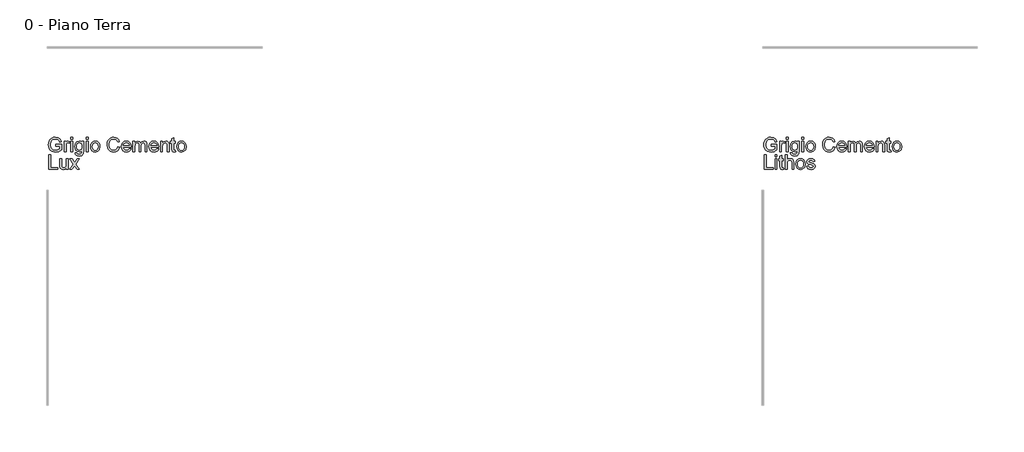
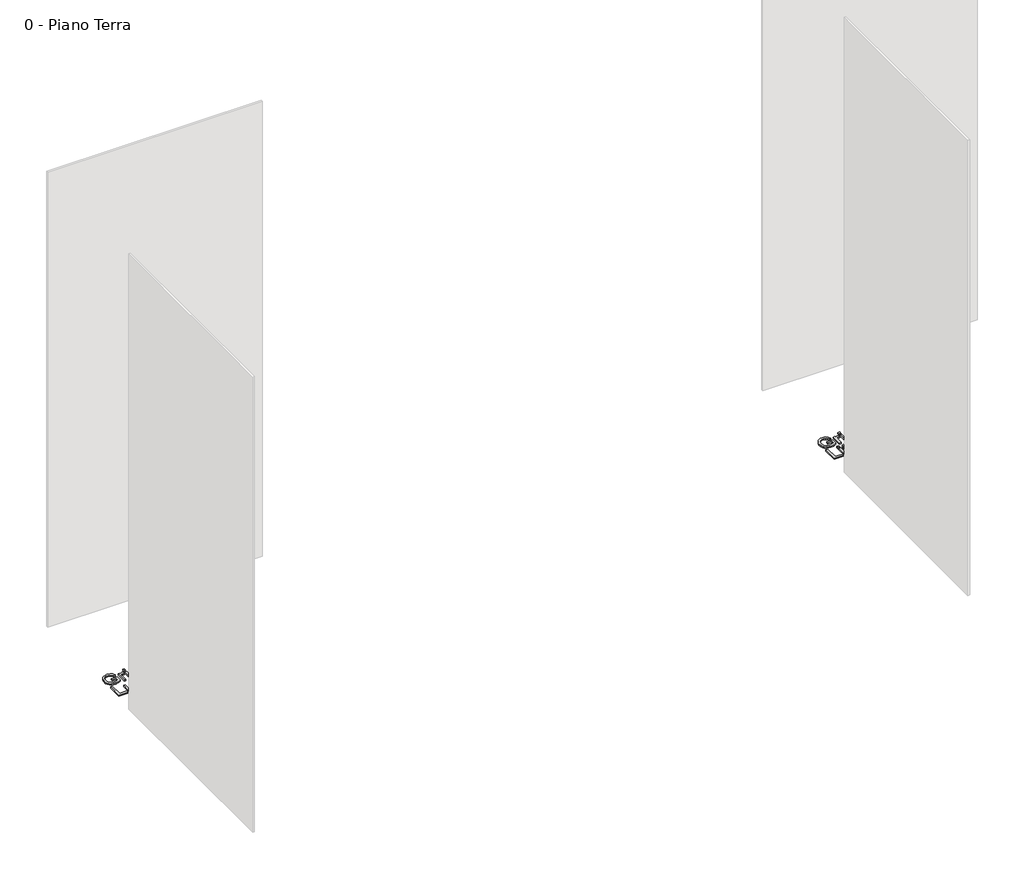
# One storey, part 21 of 35: 2 proxies.
"""IFC4 building model written with IfcOpenShell, lengths in millimetres."""

from ifc_helpers import new_model, si_unit, origin, origin_with_axes, place, context, project, spatial, polyline, outline, extrude, element, save

model = new_model("IFC4")

# Units and contexts
model_context = context("Model", 3, world=origin())
ifc_project = project(units=[si_unit("LENGTHUNIT", "METRE", prefix="MILLI")], contexts=[model_context])

# Site, building, storey
site = spatial("IfcSite", under=ifc_project)
building = spatial("IfcBuilding", under=site)
storey = spatial("IfcBuildingStorey", under=building, Name="0 - Piano Terra", Elevation=0.0)

# Proxies
placement = place(None, origin())
element("IfcBuildingElementProxy", 1, Name="Testo modello 1", ObjectType="Testo modello 1", at=placement, inside=storey, context=model_context, shape_type="SweptSolid", body=[
    extrude(outline(polyline([(7778.8181445, -60234.518489), (7778.8181445, -60221.9614502), (7819.6285205, -60221.9614502), (7819.6285205, -60259.5099392), (7799.4808499, -60271.3557394), (7778.1804823, -60275.328865), (7764.0936676, -60273.7500381), (7751.3618849, -60269.0135574), (7740.7852775, -60261.2849698), (7733.1639889, -60250.7298223), (7728.5562669, -60238.0685503), (7727.0203595, -60224.0215894), (7728.5501355, -60209.873461), (7733.1394634, -60196.7124826), (7740.5982708, -60185.6729571), (7750.7364855, -60177.8891872), (7763.0850578, -60173.2722682), (7777.1749382, -60171.7332952), (7796.8198368, -60175.3017505), (7810.5908861, -60185.2345644), (7818.1815179, -60201.8505678), (7806.6054978, -60205.1124549), (7800.8788014, -60193.4996465), (7791.0931404, -60186.8041942), (7776.9787345, -60184.2903339), (7760.9022913, -60187.000398), (7749.9639333, -60194.1127832), (7743.5014729, -60203.7880797), (7739.5773983, -60223.5065546), (7744.2985506, -60245.3955333), (7758.0328117, -60258.4921324), (7777.1749382, -60262.7718262), (7794.3550274, -60259.5467274), (7807.0714817, -60252.6673341), (7807.0714817, -60234.518489), (7778.8181445, -60234.518489)])), origin_with_axes(), (0.0, 0.0, 1.0), 10.0),
    extrude(outline(polyline([(7838.4640786, -60273.7592352), (7838.4640786, -60199.9866324), (7849.4514875, -60199.9866324), (7849.4514875, -60210.9004649), (7857.2505858, -60200.8450237), (7865.0987351, -60198.4170025), (7877.7048248, -60202.2920262), (7873.51097, -60213.5492153), (7864.6818021, -60210.9740413), (7857.5816796, -60213.4511134), (7853.0567311, -60220.318244), (7851.0211174, -60234.9844729), (7851.0211174, -60273.7592352), (7838.4640786, -60273.7592352)])), origin_with_axes(), (0.0, 0.0, 1.0), 10.0),
    extrude(outline(polyline([(7885.552974, -60185.8599638), (7885.552974, -60173.302925), (7898.1100128, -60173.302925), (7898.1100128, -60185.8599638), (7885.552974, -60185.8599638)])), origin_with_axes(), (0.0, 0.0, 1.0), 10.0),
    extrude(outline(polyline([(7885.552974, -60273.7592352), (7885.552974, -60199.9866324), (7898.1100128, -60199.9866324), (7898.1100128, -60273.7592352), (7885.552974, -60273.7592352)])), origin_with_axes(), (0.0, 0.0, 1.0), 10.0),
    extrude(outline(polyline([(7913.8063112, -60280.0377545), (7926.36335, -60281.6073844), (7930.4345774, -60288.2292603), (7942.6237342, -60291.0251635), (7955.4750785, -60287.8613783), (7961.6064451, -60278.9831595), (7962.4648365, -60264.3414561), (7953.6234058, -60271.4047904), (7942.8444634, -60273.7592352), (7929.8980828, -60271.0185143), (7920.2442461, -60262.7963517), (7914.2385726, -60250.742085), (7912.2366814, -60236.5050518), (7915.8296622, -60217.0440942), (7926.2284599, -60203.2730449), (7942.2313267, -60198.4170025), (7953.4333335, -60201.1638548), (7962.4648365, -60209.4044115), (7962.4648365, -60199.9866324), (7975.0218752, -60199.9866324), (7975.0218752, -60263.6792685), (7971.5883099, -60288.0698448), (7960.7112656, -60299.4128729), (7942.3784795, -60303.5822022), (7930.6951605, -60302.1137399), (7921.4950449, -60297.708353), (7915.5936046, -60290.3537788), (7913.8063112, -60280.0377545)]), holes=[polyline([(7924.7937201, -60235.6466605), (7926.1334237, -60247.1644326), (7930.1525345, -60255.0830925), (7936.1949963, -60259.6724204), (7943.6047528, -60261.2021964), (7950.9593271, -60259.6816175), (7957.0324457, -60255.1198807), (7961.1067388, -60247.3023883), (7962.4648365, -60236.0145424), (7961.0668849, -60225.1283011), (7956.8730301, -60217.2893489), (7950.7110067, -60212.5528682), (7943.4085491, -60210.9740413), (7936.2379159, -60212.5283427), (7930.2261109, -60217.191247), (7926.1518178, -60224.9137032), (7924.7937201, -60235.6466605)])]), origin_with_axes(), (0.0, 0.0, 1.0), 10.0),
    extrude(outline(polyline([(7993.8574334, -60185.8599638), (7993.8574334, -60173.302925), (8006.4144721, -60173.302925), (8006.4144721, -60185.8599638), (7993.8574334, -60185.8599638)])), origin_with_axes(), (0.0, 0.0, 1.0), 10.0),
    extrude(outline(polyline([(7993.8574334, -60273.7592352), (7993.8574334, -60199.9866324), (8006.4144721, -60199.9866324), (8006.4144721, -60273.7592352), (7993.8574334, -60273.7592352)])), origin_with_axes(), (0.0, 0.0, 1.0), 10.0),
    extrude(outline(polyline([(8022.1107706, -60236.8729338), (8024.826966, -60219.0858393), (8032.9755522, -60206.5839828), (8043.0432561, -60200.4587476), (8055.0975228, -60198.4170025), (8068.289158, -60200.9032717), (8078.8259115, -60208.3620791), (8085.732896, -60220.2048137), (8088.0352241, -60235.8428642), (8083.9639967, -60258.185564), (8072.1059337, -60270.8284419), (8055.0975228, -60275.328865), (8041.7464721, -60272.8517929), (8031.2219813, -60265.4205766), (8024.3885733, -60253.3295217), (8022.1107706, -60236.8729338)]), holes=[polyline([(8034.6678094, -60236.8484083), (8036.1209433, -60248.2128963), (8040.4803449, -60256.3093658), (8047.0409071, -60261.1562111), (8055.0975228, -60262.7718262), (8063.1173503, -60261.1470141), (8069.6656498, -60256.2725776), (8074.0250515, -60248.0688092), (8075.4781854, -60236.4560008), (8074.0158544, -60225.4226067), (8069.6288616, -60217.4365017), (8063.0713651, -60212.5896564), (8055.0975228, -60210.9740413), (8047.0409071, -60212.583525), (8040.4803449, -60217.4119762), (8036.1209433, -60225.4900517), (8034.6678094, -60236.8484083)])]), origin_with_axes(), (0.0, 0.0, 1.0), 10.0),
    extrude(outline(polyline([(8213.6056118, -60238.0501562), (8226.1626506, -60241.2875177), (8220.3685092, -60255.9200241), (8211.2756925, -60266.6100617), (8199.3317904, -60273.1491642), (8184.9843926, -60275.328865), (8170.4193313, -60273.6795274), (8158.8525082, -60268.7315146), (8149.9865521, -60260.6565048), (8143.5240917, -60249.6261763), (8138.2633792, -60222.7707906), (8139.7502356, -60208.1229558), (8144.2108048, -60195.4739466), (8151.4120949, -60185.2253673), (8161.1211138, -60177.7788226), (8172.6358203, -60173.244677), (8185.2541727, -60171.7332952), (8199.0221564, -60173.6892011), (8210.4050385, -60179.5569189), (8219.0471997, -60188.974698), (8224.5930207, -60201.5807877), (8212.035982, -60204.5728946), (8201.7352861, -60189.1341135), (8184.7636634, -60184.2903339), (8165.1187649, -60189.6614111), (8154.0209913, -60204.0823853), (8150.820418, -60222.7462652), (8154.6096025, -60244.3777265), (8166.4063518, -60258.1978268), (8183.7335938, -60262.7718262), (8194.215165, -60261.2144591), (8202.9492967, -60256.5423578), (8209.5435815, -60248.8045731), (8213.6056118, -60238.0501562)])), origin_with_axes(), (0.0, 0.0, 1.0), 10.0),
    extrude(outline(polyline([(8293.5095812, -60251.7844173), (8305.8213653, -60253.3540472), (8301.3853216, -60262.6308048), (8294.3066588, -60269.5653804), (8284.7447926, -60273.8879938), (8272.8591385, -60275.328865), (8258.1254646, -60272.8425958), (8246.7885678, -60265.3837884), (8239.5596866, -60253.4368206), (8237.1500595, -60237.4860704), (8239.5842121, -60220.9988257), (8246.8866697, -60208.6686475), (8258.0702823, -60200.9799138), (8272.1479, -60198.4170025), (8285.787125, -60200.9737824), (8296.6856291, -60208.644122), (8303.8317368, -60220.9497747), (8306.2137727, -60237.412494), (8306.1401963, -60240.7970084), (8249.7070983, -60240.7970084), (8251.8806677, -60250.1963934), (8256.9298481, -60257.1064435), (8264.2169773, -60261.3554805), (8273.1043932, -60262.7718262), (8285.4161773, -60260.1476013), (8293.5095812, -60251.7844173)]), holes=[polyline([(8249.7070983, -60228.2399696), (8293.656734, -60228.2399696), (8288.6290134, -60216.8601532), (8281.3081617, -60212.4455693), (8272.0988491, -60210.9740413), (8256.6355425, -60215.6706681), (8251.7703031, -60221.1613069), (8249.7070983, -60228.2399696)])]), origin_with_axes(), (0.0, 0.0, 1.0), 10.0),
    extrude(outline(polyline([(8318.7708115, -60273.7592352), (8318.7708115, -60199.9866324), (8331.3278503, -60199.9866324), (8331.3278503, -60212.1267382), (8339.9608144, -60202.1816616), (8352.2480731, -60198.4170025), (8364.8296373, -60202.255238), (8371.7458188, -60213.009655), (8381.5437426, -60202.0651657), (8393.9168404, -60198.4170025), (8403.3560793, -60199.9345158), (8410.3366401, -60204.4870555), (8414.6500565, -60212.1972489), (8416.087862, -60223.1877235), (8416.087862, -60273.7592352), (8403.5308232, -60273.7592352), (8403.5308232, -60228.5833261), (8402.3658635, -60218.0986893), (8398.1474833, -60212.9360786), (8390.9737844, -60210.9740413), (8378.6252121, -60216.0017619), (8374.9371951, -60222.5439301), (8373.7078561, -60232.1149933), (8373.7078561, -60273.7592352), (8361.1508174, -60273.7592352), (8361.1508174, -60227.1853746), (8358.2445496, -60215.0207433), (8348.7164059, -60210.9740413), (8339.4212542, -60213.6718426), (8333.2408367, -60221.5690428), (8331.3278503, -60236.5541027), (8331.3278503, -60273.7592352), (8318.7708115, -60273.7592352)])), origin_with_axes(), (0.0, 0.0, 1.0), 10.0),
    extrude(outline(polyline([(8486.5740522, -60251.7844173), (8498.8858364, -60253.3540472), (8494.4497926, -60262.6308048), (8487.3711299, -60269.5653804), (8477.8092637, -60273.8879938), (8465.9236096, -60275.328865), (8451.1899357, -60272.8425958), (8439.8530389, -60265.3837884), (8432.6241577, -60253.4368206), (8430.2145306, -60237.4860704), (8432.6486831, -60220.9988257), (8439.9511407, -60208.6686475), (8451.1347534, -60200.9799138), (8465.2123711, -60198.4170025), (8478.851596, -60200.9737824), (8489.7501001, -60208.644122), (8496.8962079, -60220.9497747), (8499.2782438, -60237.412494), (8499.2046674, -60240.7970084), (8442.7715694, -60240.7970084), (8444.9451388, -60250.1963934), (8449.9943192, -60257.1064435), (8457.2814484, -60261.3554805), (8466.1688642, -60262.7718262), (8478.4806484, -60260.1476013), (8486.5740522, -60251.7844173)]), holes=[polyline([(8442.7715694, -60228.2399696), (8486.721205, -60228.2399696), (8481.6934844, -60216.8601532), (8474.3726327, -60212.4455693), (8465.1633201, -60210.9740413), (8449.7000136, -60215.6706681), (8444.8347742, -60221.1613069), (8442.7715694, -60228.2399696)])]), origin_with_axes(), (0.0, 0.0, 1.0), 10.0),
    extrude(outline(polyline([(8511.8352826, -60273.7592352), (8511.8352826, -60199.9866324), (8524.3923213, -60199.9866324), (8524.3923213, -60210.2873283), (8533.9940414, -60201.384584), (8547.1029032, -60198.4170025), (8558.9609662, -60200.8082355), (8567.0543701, -60207.0867549), (8570.8190291, -60216.320593), (8571.4812167, -60228.4606988), (8571.4812167, -60273.7592352), (8558.924178, -60273.7592352), (8558.924178, -60230.152956), (8557.4771754, -60219.0429197), (8552.3636157, -60213.1690705), (8543.7429143, -60210.9740413), (8530.1190177, -60215.90366), (8525.8239954, -60223.0467021), (8524.3923213, -60234.6165909), (8524.3923213, -60273.7592352), (8511.8352826, -60273.7592352)])), origin_with_axes(), (0.0, 0.0, 1.0), 10.0),
    extrude(outline(polyline([(8615.4308524, -60263.286861), (8617.0004823, -60274.1271171), (8607.6072287, -60275.328865), (8597.0858036, -60273.2442004), (8591.8373538, -60267.7750214), (8590.3167749, -60253.5257254), (8590.3167749, -60212.5436712), (8580.8989958, -60212.5436712), (8580.8989958, -60199.9866324), (8590.3167749, -60199.9866324), (8590.3167749, -60182.0585165), (8602.8738137, -60174.6763511), (8602.8738137, -60199.9866324), (8615.4308524, -60199.9866324), (8615.4308524, -60212.5436712), (8602.8738137, -60212.5436712), (8602.8738137, -60253.1578434), (8603.5360012, -60259.6325665), (8605.6819796, -60261.9256976), (8609.9616734, -60262.7718262), (8615.4308524, -60263.286861)])), origin_with_axes(), (0.0, 0.0, 1.0), 10.0),
    extrude(outline(polyline([(8624.8486315, -60236.8729338), (8627.5648269, -60219.0858393), (8635.7134131, -60206.5839828), (8645.781117, -60200.4587476), (8657.8353837, -60198.4170025), (8671.0270189, -60200.9032717), (8681.5637724, -60208.3620791), (8688.4707569, -60220.2048137), (8690.773085, -60235.8428642), (8686.7018576, -60258.185564), (8674.8437946, -60270.8284419), (8657.8353837, -60275.328865), (8644.484333, -60272.8517929), (8633.9598422, -60265.4205766), (8627.1264342, -60253.3295217), (8624.8486315, -60236.8729338)]), holes=[polyline([(8637.4056703, -60236.8484083), (8638.8588041, -60248.2128963), (8643.2182058, -60256.3093658), (8649.778768, -60261.1562111), (8657.8353837, -60262.7718262), (8665.8552112, -60261.1470141), (8672.4035107, -60256.2725776), (8676.7629124, -60248.0688092), (8678.2160463, -60236.4560008), (8676.7537153, -60225.4226067), (8672.3667225, -60217.4365017), (8665.809226, -60212.5896564), (8657.8353837, -60210.9740413), (8649.778768, -60212.583525), (8643.2182058, -60217.4119762), (8638.8588041, -60225.4900517), (8637.4056703, -60236.8484083)])]), origin_with_axes(), (0.0, 0.0, 1.0), 10.0),
    extrude(outline(polyline([(7731.7292491, -60395.734053), (7731.7292491, -60295.2777428), (7744.2862878, -60295.2777428), (7744.2862878, -60383.1770142), (7794.5144429, -60383.1770142), (7794.5144429, -60395.734053), (7731.7292491, -60395.734053)])), origin_with_axes(), (0.0, 0.0, 1.0), 10.0),
    extrude(outline(polyline([(7854.1603771, -60395.734053), (7854.1603771, -60383.0543869), (7844.3256651, -60393.7413589), (7831.4988462, -60397.3036828), (7819.6898341, -60394.8020853), (7811.5473793, -60388.5235659), (7807.8072457, -60379.2774651), (7807.0714817, -60367.6033431), (7807.0714817, -60321.9614502), (7819.6285205, -60321.9614502), (7819.6285205, -60361.6927057), (7820.3888099, -60374.4949991), (7825.3552168, -60382.0120546), (7834.7116823, -60384.7466441), (7845.1963191, -60381.9507409), (7852.1247634, -60374.3355836), (7854.1603771, -60360.3438051), (7854.1603771, -60321.9614502), (7866.7174158, -60321.9614502), (7866.7174158, -60395.734053), (7854.1603771, -60395.734053)])), origin_with_axes(), (0.0, 0.0, 1.0), 10.0),
    extrude(outline(polyline([(7876.1351949, -60395.734053), (7902.9660551, -60358.6515479), (7877.7048248, -60321.9614502), (7892.812512, -60321.9614502), (7905.0016688, -60339.619786), (7910.691577, -60347.9584446), (7915.6211957, -60341.1403649), (7929.5026097, -60321.9614502), (7944.610297, -60321.9614502), (7918.0737424, -60358.6515479), (7943.6292783, -60395.734053), (7928.521591, -60395.734053), (7913.1441236, -60373.4404041), (7910.323695, -60369.3691767), (7891.2428822, -60395.734053), (7876.1351949, -60395.734053)])), origin_with_axes(), (0.0, 0.0, 1.0), 10.0),
])
element("IfcBuildingElementProxy", 2, Name="Testo modello 1", ObjectType="Testo modello 1", at=placement, inside=storey, context=model_context, shape_type="SweptSolid", body=[
    extrude(outline(polyline([(12778.8181445, -60234.518489), (12778.8181445, -60221.9614502), (12819.6285205, -60221.9614502), (12819.6285205, -60259.5099392), (12799.4808499, -60271.3557394), (12778.1804823, -60275.328865), (12764.0936676, -60273.7500381), (12751.3618849, -60269.0135574), (12740.7852775, -60261.2849698), (12733.1639889, -60250.7298223), (12728.5562669, -60238.0685503), (12727.0203595, -60224.0215894), (12728.5501355, -60209.873461), (12733.1394634, -60196.7124826), (12740.5982708, -60185.6729571), (12750.7364855, -60177.8891872), (12763.0850578, -60173.2722682), (12777.1749382, -60171.7332952), (12796.8198368, -60175.3017505), (12810.5908861, -60185.2345644), (12818.1815179, -60201.8505678), (12806.6054978, -60205.1124549), (12800.8788014, -60193.4996465), (12791.0931404, -60186.8041942), (12776.9787345, -60184.2903339), (12760.9022913, -60187.000398), (12749.9639333, -60194.1127832), (12743.5014729, -60203.7880797), (12739.5773983, -60223.5065546), (12744.2985506, -60245.3955333), (12758.0328117, -60258.4921324), (12777.1749382, -60262.7718262), (12794.3550274, -60259.5467274), (12807.0714817, -60252.6673341), (12807.0714817, -60234.518489), (12778.8181445, -60234.518489)])), origin_with_axes(), (0.0, 0.0, 1.0), 10.0),
    extrude(outline(polyline([(12838.4640786, -60273.7592352), (12838.4640786, -60199.9866324), (12849.4514875, -60199.9866324), (12849.4514875, -60210.9004649), (12857.2505858, -60200.8450237), (12865.0987351, -60198.4170025), (12877.7048248, -60202.2920262), (12873.51097, -60213.5492153), (12864.6818021, -60210.9740413), (12857.5816796, -60213.4511134), (12853.0567311, -60220.318244), (12851.0211174, -60234.9844729), (12851.0211174, -60273.7592352), (12838.4640786, -60273.7592352)])), origin_with_axes(), (0.0, 0.0, 1.0), 10.0),
    extrude(outline(polyline([(12885.552974, -60185.8599638), (12885.552974, -60173.302925), (12898.1100128, -60173.302925), (12898.1100128, -60185.8599638), (12885.552974, -60185.8599638)])), origin_with_axes(), (0.0, 0.0, 1.0), 10.0),
    extrude(outline(polyline([(12885.552974, -60273.7592352), (12885.552974, -60199.9866324), (12898.1100128, -60199.9866324), (12898.1100128, -60273.7592352), (12885.552974, -60273.7592352)])), origin_with_axes(), (0.0, 0.0, 1.0), 10.0),
    extrude(outline(polyline([(12913.8063112, -60280.0377545), (12926.36335, -60281.6073844), (12930.4345774, -60288.2292603), (12942.6237342, -60291.0251635), (12955.4750785, -60287.8613783), (12961.6064451, -60278.9831595), (12962.4648365, -60264.3414561), (12953.6234058, -60271.4047904), (12942.8444634, -60273.7592352), (12929.8980828, -60271.0185143), (12920.2442461, -60262.7963517), (12914.2385726, -60250.742085), (12912.2366814, -60236.5050518), (12915.8296622, -60217.0440942), (12926.2284599, -60203.2730449), (12942.2313267, -60198.4170025), (12953.4333335, -60201.1638548), (12962.4648365, -60209.4044115), (12962.4648365, -60199.9866324), (12975.0218752, -60199.9866324), (12975.0218752, -60263.6792685), (12971.5883099, -60288.0698448), (12960.7112656, -60299.4128729), (12942.3784795, -60303.5822022), (12930.6951605, -60302.1137399), (12921.4950449, -60297.708353), (12915.5936046, -60290.3537788), (12913.8063112, -60280.0377545)]), holes=[polyline([(12924.7937201, -60235.6466605), (12926.1334237, -60247.1644326), (12930.1525345, -60255.0830925), (12936.1949963, -60259.6724204), (12943.6047528, -60261.2021964), (12950.9593271, -60259.6816175), (12957.0324457, -60255.1198807), (12961.1067388, -60247.3023883), (12962.4648365, -60236.0145424), (12961.0668849, -60225.1283011), (12956.8730301, -60217.2893489), (12950.7110067, -60212.5528682), (12943.4085491, -60210.9740413), (12936.2379159, -60212.5283427), (12930.2261109, -60217.191247), (12926.1518178, -60224.9137032), (12924.7937201, -60235.6466605)])]), origin_with_axes(), (0.0, 0.0, 1.0), 10.0),
    extrude(outline(polyline([(12993.8574334, -60185.8599638), (12993.8574334, -60173.302925), (13006.4144721, -60173.302925), (13006.4144721, -60185.8599638), (12993.8574334, -60185.8599638)])), origin_with_axes(), (0.0, 0.0, 1.0), 10.0),
    extrude(outline(polyline([(12993.8574334, -60273.7592352), (12993.8574334, -60199.9866324), (13006.4144721, -60199.9866324), (13006.4144721, -60273.7592352), (12993.8574334, -60273.7592352)])), origin_with_axes(), (0.0, 0.0, 1.0), 10.0),
    extrude(outline(polyline([(13022.1107706, -60236.8729338), (13024.826966, -60219.0858393), (13032.9755522, -60206.5839828), (13043.0432561, -60200.4587476), (13055.0975228, -60198.4170025), (13068.289158, -60200.9032717), (13078.8259115, -60208.3620791), (13085.732896, -60220.2048137), (13088.0352241, -60235.8428642), (13083.9639967, -60258.185564), (13072.1059337, -60270.8284419), (13055.0975228, -60275.328865), (13041.7464721, -60272.8517929), (13031.2219813, -60265.4205766), (13024.3885733, -60253.3295217), (13022.1107706, -60236.8729338)]), holes=[polyline([(13034.6678094, -60236.8484083), (13036.1209433, -60248.2128963), (13040.4803449, -60256.3093658), (13047.0409071, -60261.1562111), (13055.0975228, -60262.7718262), (13063.1173503, -60261.1470141), (13069.6656498, -60256.2725776), (13074.0250515, -60248.0688092), (13075.4781854, -60236.4560008), (13074.0158544, -60225.4226067), (13069.6288616, -60217.4365017), (13063.0713651, -60212.5896564), (13055.0975228, -60210.9740413), (13047.0409071, -60212.583525), (13040.4803449, -60217.4119762), (13036.1209433, -60225.4900517), (13034.6678094, -60236.8484083)])]), origin_with_axes(), (0.0, 0.0, 1.0), 10.0),
    extrude(outline(polyline([(13213.6056118, -60238.0501562), (13226.1626506, -60241.2875177), (13220.3685092, -60255.9200241), (13211.2756925, -60266.6100617), (13199.3317904, -60273.1491642), (13184.9843926, -60275.328865), (13170.4193313, -60273.6795274), (13158.8525082, -60268.7315146), (13149.9865521, -60260.6565048), (13143.5240917, -60249.6261763), (13138.2633792, -60222.7707906), (13139.7502356, -60208.1229558), (13144.2108048, -60195.4739466), (13151.4120949, -60185.2253673), (13161.1211138, -60177.7788226), (13172.6358203, -60173.244677), (13185.2541727, -60171.7332952), (13199.0221564, -60173.6892011), (13210.4050385, -60179.5569189), (13219.0471997, -60188.974698), (13224.5930207, -60201.5807877), (13212.035982, -60204.5728946), (13201.7352861, -60189.1341135), (13184.7636634, -60184.2903339), (13165.1187649, -60189.6614111), (13154.0209913, -60204.0823853), (13150.820418, -60222.7462652), (13154.6096025, -60244.3777265), (13166.4063518, -60258.1978268), (13183.7335938, -60262.7718262), (13194.215165, -60261.2144591), (13202.9492967, -60256.5423578), (13209.5435815, -60248.8045731), (13213.6056118, -60238.0501562)])), origin_with_axes(), (0.0, 0.0, 1.0), 10.0),
    extrude(outline(polyline([(13293.5095812, -60251.7844173), (13305.8213653, -60253.3540472), (13301.3853216, -60262.6308048), (13294.3066588, -60269.5653804), (13284.7447926, -60273.8879938), (13272.8591385, -60275.328865), (13258.1254646, -60272.8425958), (13246.7885678, -60265.3837884), (13239.5596866, -60253.4368206), (13237.1500595, -60237.4860704), (13239.5842121, -60220.9988257), (13246.8866697, -60208.6686475), (13258.0702823, -60200.9799138), (13272.1479, -60198.4170025), (13285.787125, -60200.9737824), (13296.6856291, -60208.644122), (13303.8317368, -60220.9497747), (13306.2137727, -60237.412494), (13306.1401963, -60240.7970084), (13249.7070983, -60240.7970084), (13251.8806677, -60250.1963934), (13256.9298481, -60257.1064435), (13264.2169773, -60261.3554805), (13273.1043932, -60262.7718262), (13285.4161773, -60260.1476013), (13293.5095812, -60251.7844173)]), holes=[polyline([(13249.7070983, -60228.2399696), (13293.656734, -60228.2399696), (13288.6290134, -60216.8601532), (13281.3081617, -60212.4455693), (13272.0988491, -60210.9740413), (13256.6355425, -60215.6706681), (13251.7703031, -60221.1613069), (13249.7070983, -60228.2399696)])]), origin_with_axes(), (0.0, 0.0, 1.0), 10.0),
    extrude(outline(polyline([(13318.7708115, -60273.7592352), (13318.7708115, -60199.9866324), (13331.3278503, -60199.9866324), (13331.3278503, -60212.1267382), (13339.9608144, -60202.1816616), (13352.2480731, -60198.4170025), (13364.8296373, -60202.255238), (13371.7458188, -60213.009655), (13381.5437426, -60202.0651657), (13393.9168404, -60198.4170025), (13403.3560793, -60199.9345158), (13410.3366401, -60204.4870555), (13414.6500565, -60212.1972489), (13416.087862, -60223.1877235), (13416.087862, -60273.7592352), (13403.5308232, -60273.7592352), (13403.5308232, -60228.5833261), (13402.3658635, -60218.0986893), (13398.1474833, -60212.9360786), (13390.9737844, -60210.9740413), (13378.6252121, -60216.0017619), (13374.9371951, -60222.5439301), (13373.7078561, -60232.1149933), (13373.7078561, -60273.7592352), (13361.1508174, -60273.7592352), (13361.1508174, -60227.1853746), (13358.2445496, -60215.0207433), (13348.7164059, -60210.9740413), (13339.4212542, -60213.6718426), (13333.2408367, -60221.5690428), (13331.3278503, -60236.5541027), (13331.3278503, -60273.7592352), (13318.7708115, -60273.7592352)])), origin_with_axes(), (0.0, 0.0, 1.0), 10.0),
    extrude(outline(polyline([(13486.5740522, -60251.7844173), (13498.8858364, -60253.3540472), (13494.4497926, -60262.6308048), (13487.3711299, -60269.5653804), (13477.8092637, -60273.8879938), (13465.9236096, -60275.328865), (13451.1899357, -60272.8425958), (13439.8530389, -60265.3837884), (13432.6241577, -60253.4368206), (13430.2145306, -60237.4860704), (13432.6486831, -60220.9988257), (13439.9511407, -60208.6686475), (13451.1347534, -60200.9799138), (13465.2123711, -60198.4170025), (13478.851596, -60200.9737824), (13489.7501001, -60208.644122), (13496.8962079, -60220.9497747), (13499.2782438, -60237.412494), (13499.2046674, -60240.7970084), (13442.7715694, -60240.7970084), (13444.9451388, -60250.1963934), (13449.9943192, -60257.1064435), (13457.2814484, -60261.3554805), (13466.1688642, -60262.7718262), (13478.4806484, -60260.1476013), (13486.5740522, -60251.7844173)]), holes=[polyline([(13442.7715694, -60228.2399696), (13486.721205, -60228.2399696), (13481.6934844, -60216.8601532), (13474.3726327, -60212.4455693), (13465.1633201, -60210.9740413), (13449.7000136, -60215.6706681), (13444.8347742, -60221.1613069), (13442.7715694, -60228.2399696)])]), origin_with_axes(), (0.0, 0.0, 1.0), 10.0),
    extrude(outline(polyline([(13511.8352826, -60273.7592352), (13511.8352826, -60199.9866324), (13524.3923213, -60199.9866324), (13524.3923213, -60210.2873283), (13533.9940414, -60201.384584), (13547.1029032, -60198.4170025), (13558.9609662, -60200.8082355), (13567.0543701, -60207.0867549), (13570.8190291, -60216.320593), (13571.4812167, -60228.4606988), (13571.4812167, -60273.7592352), (13558.924178, -60273.7592352), (13558.924178, -60230.152956), (13557.4771754, -60219.0429197), (13552.3636157, -60213.1690705), (13543.7429143, -60210.9740413), (13530.1190177, -60215.90366), (13525.8239954, -60223.0467021), (13524.3923213, -60234.6165909), (13524.3923213, -60273.7592352), (13511.8352826, -60273.7592352)])), origin_with_axes(), (0.0, 0.0, 1.0), 10.0),
    extrude(outline(polyline([(13615.4308524, -60263.286861), (13617.0004823, -60274.1271171), (13607.6072287, -60275.328865), (13597.0858036, -60273.2442004), (13591.8373538, -60267.7750214), (13590.3167749, -60253.5257254), (13590.3167749, -60212.5436712), (13580.8989958, -60212.5436712), (13580.8989958, -60199.9866324), (13590.3167749, -60199.9866324), (13590.3167749, -60182.0585165), (13602.8738137, -60174.6763511), (13602.8738137, -60199.9866324), (13615.4308524, -60199.9866324), (13615.4308524, -60212.5436712), (13602.8738137, -60212.5436712), (13602.8738137, -60253.1578434), (13603.5360012, -60259.6325665), (13605.6819796, -60261.9256976), (13609.9616734, -60262.7718262), (13615.4308524, -60263.286861)])), origin_with_axes(), (0.0, 0.0, 1.0), 10.0),
    extrude(outline(polyline([(13624.8486315, -60236.8729338), (13627.5648269, -60219.0858393), (13635.7134131, -60206.5839828), (13645.781117, -60200.4587476), (13657.8353837, -60198.4170025), (13671.0270189, -60200.9032717), (13681.5637724, -60208.3620791), (13688.4707569, -60220.2048137), (13690.773085, -60235.8428642), (13686.7018576, -60258.185564), (13674.8437946, -60270.8284419), (13657.8353837, -60275.328865), (13644.484333, -60272.8517929), (13633.9598422, -60265.4205766), (13627.1264342, -60253.3295217), (13624.8486315, -60236.8729338)]), holes=[polyline([(13637.4056703, -60236.8484083), (13638.8588041, -60248.2128963), (13643.2182058, -60256.3093658), (13649.778768, -60261.1562111), (13657.8353837, -60262.7718262), (13665.8552112, -60261.1470141), (13672.4035107, -60256.2725776), (13676.7629124, -60248.0688092), (13678.2160463, -60236.4560008), (13676.7537153, -60225.4226067), (13672.3667225, -60217.4365017), (13665.809226, -60212.5896564), (13657.8353837, -60210.9740413), (13649.778768, -60212.583525), (13643.2182058, -60217.4119762), (13638.8588041, -60225.4900517), (13637.4056703, -60236.8484083)])]), origin_with_axes(), (0.0, 0.0, 1.0), 10.0),
    extrude(outline(polyline([(12731.7292491, -60395.734053), (12731.7292491, -60295.2777428), (12744.2862878, -60295.2777428), (12744.2862878, -60383.1770142), (12794.5144429, -60383.1770142), (12794.5144429, -60395.734053), (12731.7292491, -60395.734053)])), origin_with_axes(), (0.0, 0.0, 1.0), 10.0),
    extrude(outline(polyline([(12807.0714817, -60307.8347816), (12807.0714817, -60295.2777428), (12819.6285205, -60295.2777428), (12819.6285205, -60307.8347816), (12807.0714817, -60307.8347816)])), origin_with_axes(), (0.0, 0.0, 1.0), 10.0),
    extrude(outline(polyline([(12807.0714817, -60395.734053), (12807.0714817, -60321.9614502), (12819.6285205, -60321.9614502), (12819.6285205, -60395.734053), (12807.0714817, -60395.734053)])), origin_with_axes(), (0.0, 0.0, 1.0), 10.0),
    extrude(outline(polyline([(12865.147786, -60385.2616789), (12866.7174158, -60396.101935), (12857.3241622, -60397.3036828), (12846.8027372, -60395.2190182), (12841.5542874, -60389.7498392), (12840.0337085, -60375.5005433), (12840.0337085, -60334.518489), (12830.6159294, -60334.518489), (12830.6159294, -60321.9614502), (12840.0337085, -60321.9614502), (12840.0337085, -60304.0333343), (12852.5907472, -60296.651169), (12852.5907472, -60321.9614502), (12865.147786, -60321.9614502), (12865.147786, -60334.518489), (12852.5907472, -60334.518489), (12852.5907472, -60375.1326613), (12853.2529348, -60381.6073844), (12855.3989131, -60383.9005155), (12859.678607, -60384.7466441), (12865.147786, -60385.2616789)])), origin_with_axes(), (0.0, 0.0, 1.0), 10.0),
    extrude(outline(polyline([(12877.7048248, -60395.734053), (12877.7048248, -60295.2777428), (12890.2618635, -60295.2777428), (12890.2618635, -60332.2130952), (12900.053656, -60323.3471391), (12912.114054, -60320.3918204), (12926.2161972, -60323.6169192), (12934.7755849, -60332.5319262), (12937.3507589, -60349.0375651), (12937.3507589, -60395.734053), (12924.7937201, -60395.734053), (12924.7937201, -60350.3374148), (12920.7960691, -60337.093663), (12909.4653037, -60332.9488592), (12899.1768705, -60335.7447623), (12892.30974, -60343.3231314), (12890.2618635, -60356.5423578), (12890.2618635, -60395.734053), (12877.7048248, -60395.734053)])), origin_with_axes(), (0.0, 0.0, 1.0), 10.0),
    extrude(outline(polyline([(12951.4774275, -60358.8477516), (12954.1936229, -60341.0606571), (12962.3422091, -60328.5588007), (12972.4099131, -60322.4335655), (12984.4641798, -60320.3918204), (12997.655815, -60322.8780895), (13008.1925685, -60330.336897), (13015.0995529, -60342.1796315), (13017.4018811, -60357.817682), (13013.3306537, -60380.1603819), (13001.4725907, -60392.8032598), (12984.4641798, -60397.3036828), (12971.113129, -60394.8266107), (12960.5886383, -60387.3953944), (12953.7552302, -60375.3043395), (12951.4774275, -60358.8477516)]), holes=[polyline([(12964.0344663, -60358.8232261), (12965.4876002, -60370.1877141), (12969.8470018, -60378.2841837), (12976.4075641, -60383.131029), (12984.4641798, -60384.7466441), (12992.4840073, -60383.1218319), (12999.0323068, -60378.2473955), (13003.3917084, -60370.043627), (13004.8448423, -60358.4308187), (13003.3825114, -60347.3974245), (12998.9955186, -60339.4113195), (12992.438022, -60334.5644742), (12984.4641798, -60332.9488592), (12976.4075641, -60334.5583429), (12969.8470018, -60339.3867941), (12965.4876002, -60347.4648695), (12964.0344663, -60358.8232261)])]), origin_with_axes(), (0.0, 0.0, 1.0), 10.0),
    extrude(outline(polyline([(13026.8196601, -60373.7592352), (13039.3766989, -60372.1896053), (13045.1892344, -60381.5092825), (13058.5065627, -60384.7466441), (13071.3088561, -60381.7790626), (13075.4781854, -60374.8138302), (13071.2843306, -60369.1729729), (13058.3594099, -60365.5922549), (13039.4502753, -60359.4486255), (13031.1974559, -60352.2749266), (13028.38929, -60342.145909), (13030.6456329, -60332.7894436), (13036.8015249, -60325.6402702), (13044.7845642, -60321.924662), (13055.5880322, -60320.3918204), (13070.8673977, -60322.8566298), (13080.5794824, -60329.5275566), (13084.8959644, -60340.7970084), (13072.3389257, -60342.3666382), (13067.6177734, -60335.438194), (13056.5690508, -60332.9488592), (13044.5515723, -60335.3278294), (13040.9463288, -60340.8705848), (13042.4423822, -60344.5248793), (13047.1267463, -60347.296257), (13057.9424769, -60349.9695328), (13076.3733649, -60355.8801702), (13084.9327526, -60362.5756225), (13088.0352241, -60373.489455), (13084.3931924, -60385.5069335), (13073.8840301, -60394.2257368), (13058.3348844, -60397.3036828), (13045.6736124, -60395.8198921), (13036.4336429, -60391.36852), (13030.2654882, -60383.9986174), (13026.8196601, -60373.7592352)])), origin_with_axes(), (0.0, 0.0, 1.0), 10.0),
])

save(model, "model.ifc")
